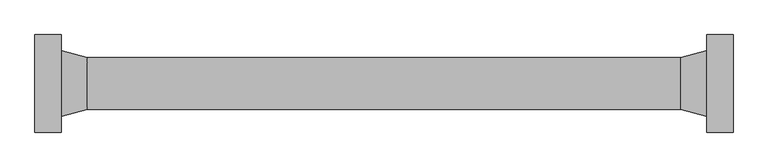
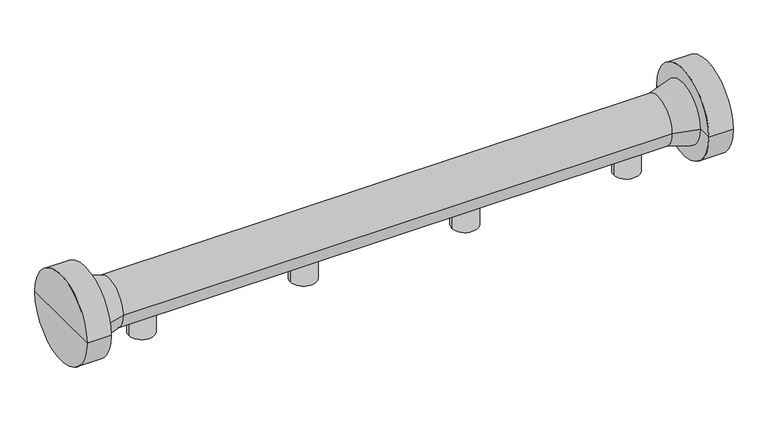
"""IFC4 building model written with IfcOpenShell, lengths in millimetres: proxy geometry."""

from ifc_helpers import new_model, si_unit, frame, origin, place, context, project, spatial, polyline, circle_curve, source, transform, mapped, element, save
from ifc_brep_helpers import plane_surface, cylinder_surface, revolved_surface, advanced_brep


def specialty_equipment_a945fca0(model_context):
    return source(origin(), model_context, "Body", "AdvancedBrep", [
        advanced_brep(
        [(1040.0, 0.0, 0.046762), (960.0, 0.0, 0.046762), (960.0, 0.0, 85.241935), (1040.0, 0.0, 85.241935), (1000.0, 0.0, 0.046762), (1000.0, 0.0, 85.241935)],
        [
            (0, 1, circle_curve(frame((1000.0, 0.0, 0.046762), z_axis=(0.0, 0.0, 1.0), x_axis=(-1.0, 0.0, 0.0)), 40.0)),
            (1, 2),
            (2, 3, circle_curve(frame((1000.0, 0.0, 85.241935), z_axis=(0.0, 0.0, -1.0), x_axis=(-1.0, 0.0, 0.0)), 40.0)),
            (3, 0),
            (1, 0, circle_curve(frame((1000.0, 0.0, 0.046762), z_axis=(0.0, 0.0, 1.0), x_axis=(-1.0, 0.0, 0.0)), 40.0)),
            (3, 2, circle_curve(frame((1000.0, 0.0, 85.241935), z_axis=(0.0, 0.0, -1.0), x_axis=(-1.0, 0.0, 0.0)), 40.0)),
            (4, 1),
            (0, 4),
            (2, 5),
            (5, 3),
        ],
        [
            cylinder_surface(frame((1000.0, 0.0, 1119.5366778), z_axis=(0.0, 0.0, -1.0), x_axis=(-1.0, 0.0, 0.0)), 40.0),
            plane_surface(frame((1000.0, 0.0, 0.046762), z_axis=(0.0, 0.0, -1.0), x_axis=(-1.0, 0.0, 0.0))),
            plane_surface(frame((1000.0, 0.0, 85.241935), z_axis=(0.0, 0.0, 1.0), x_axis=(-1.0, 0.0, 0.0))),
        ],
        [
            (0, [[1, 2, 3, 4]]),
            (0, [[5, -4, 6, -2]]),
            (1, [[7, -1, 8]]),
            (1, [[-8, -5, -7]]),
            (2, [[-3, 9, 10]]),
            (2, [[-6, -10, -9]]),
        ],
    ),
        advanced_brep(
        [(540.0, 0.0, 0.046762), (460.0, 0.0, 0.046762), (460.0, 0.0, 85.241935), (540.0, 0.0, 85.241935), (500.0, 0.0, 0.046762), (500.0, 0.0, 85.241935)],
        [
            (0, 1, circle_curve(frame((500.0, 0.0, 0.046762), z_axis=(0.0, 0.0, 1.0), x_axis=(-1.0, 0.0, 0.0)), 40.0)),
            (1, 2),
            (2, 3, circle_curve(frame((500.0, 0.0, 85.241935), z_axis=(0.0, 0.0, -1.0), x_axis=(-1.0, 0.0, 0.0)), 40.0)),
            (3, 0),
            (1, 0, circle_curve(frame((500.0, 0.0, 0.046762), z_axis=(0.0, 0.0, 1.0), x_axis=(-1.0, 0.0, 0.0)), 40.0)),
            (3, 2, circle_curve(frame((500.0, 0.0, 85.241935), z_axis=(0.0, 0.0, -1.0), x_axis=(-1.0, 0.0, 0.0)), 40.0)),
            (4, 1),
            (0, 4),
            (2, 5),
            (5, 3),
        ],
        [
            cylinder_surface(frame((500.0, 0.0, 1119.5366778), z_axis=(0.0, 0.0, -1.0), x_axis=(-1.0, 0.0, 0.0)), 40.0),
            plane_surface(frame((500.0, 0.0, 0.046762), z_axis=(0.0, 0.0, -1.0), x_axis=(-1.0, 0.0, 0.0))),
            plane_surface(frame((500.0, 0.0, 85.241935), z_axis=(0.0, 0.0, 1.0), x_axis=(-1.0, 0.0, 0.0))),
        ],
        [
            (0, [[1, 2, 3, 4]]),
            (0, [[5, -4, 6, -2]]),
            (1, [[7, -1, 8]]),
            (1, [[-8, -5, -7]]),
            (2, [[-3, 9, 10]]),
            (2, [[-6, -10, -9]]),
        ],
    ),
        advanced_brep(
        [(1540.0, 0.0, 0.046762), (1460.0, 0.0, 0.046762), (1460.0, 0.0, 85.241935), (1540.0, 0.0, 85.241935), (1500.0, 0.0, 0.046762), (1500.0, 0.0, 85.241935)],
        [
            (0, 1, circle_curve(frame((1500.0, 0.0, 0.046762), z_axis=(0.0, 0.0, 1.0), x_axis=(-1.0, 0.0, 0.0)), 40.0)),
            (1, 2),
            (2, 3, circle_curve(frame((1500.0, 0.0, 85.241935), z_axis=(0.0, 0.0, -1.0), x_axis=(-1.0, 0.0, 0.0)), 40.0)),
            (3, 0),
            (1, 0, circle_curve(frame((1500.0, 0.0, 0.046762), z_axis=(0.0, 0.0, 1.0), x_axis=(-1.0, 0.0, 0.0)), 40.0)),
            (3, 2, circle_curve(frame((1500.0, 0.0, 85.241935), z_axis=(0.0, 0.0, -1.0), x_axis=(-1.0, 0.0, 0.0)), 40.0)),
            (4, 1),
            (0, 4),
            (2, 5),
            (5, 3),
        ],
        [
            cylinder_surface(frame((1500.0, 0.0, 1119.5366778), z_axis=(0.0, 0.0, -1.0), x_axis=(-1.0, 0.0, 0.0)), 40.0),
            plane_surface(frame((1500.0, 0.0, 0.046762), z_axis=(0.0, 0.0, -1.0), x_axis=(-1.0, 0.0, 0.0))),
            plane_surface(frame((1500.0, 0.0, 85.241935), z_axis=(0.0, 0.0, 1.0), x_axis=(-1.0, 0.0, 0.0))),
        ],
        [
            (0, [[1, 2, 3, 4]]),
            (0, [[5, -4, 6, -2]]),
            (1, [[7, -1, 8]]),
            (1, [[-8, -5, -7]]),
            (2, [[-3, 9, 10]]),
            (2, [[-6, -10, -9]]),
        ],
    ),
        advanced_brep(
        [(40.0, 0.0, 0.046762), (-40.0, 0.0, 0.046762), (-40.0, 0.0, 85.241935), (40.0, 0.0, 85.241935), (0.0, 0.0, 0.046762), (0.0, 0.0, 85.241935)],
        [
            (0, 1, circle_curve(frame((0.0, 0.0, 0.046762), z_axis=(0.0, 0.0, 1.0), x_axis=(-1.0, 0.0, 0.0)), 40.0)),
            (1, 2),
            (2, 3, circle_curve(frame((0.0, 0.0, 85.241935), z_axis=(0.0, 0.0, -1.0), x_axis=(-1.0, 0.0, 0.0)), 40.0)),
            (3, 0),
            (1, 0, circle_curve(frame((0.0, 0.0, 0.046762), z_axis=(0.0, 0.0, 1.0), x_axis=(-1.0, 0.0, 0.0)), 40.0)),
            (3, 2, circle_curve(frame((0.0, 0.0, 85.241935), z_axis=(0.0, 0.0, -1.0), x_axis=(-1.0, 0.0, 0.0)), 40.0)),
            (4, 1),
            (0, 4),
            (2, 5),
            (5, 3),
        ],
        [
            cylinder_surface(frame((0.0, 0.0, 1119.5366778), z_axis=(0.0, 0.0, -1.0), x_axis=(-1.0, 0.0, 0.0)), 40.0),
            plane_surface(frame((0.0, 0.0, 0.046762), z_axis=(0.0, 0.0, -1.0), x_axis=(-1.0, 0.0, 0.0))),
            plane_surface(frame((0.0, 0.0, 85.241935), z_axis=(0.0, 0.0, 1.0), x_axis=(-1.0, 0.0, 0.0))),
        ],
        [
            (0, [[1, 2, 3, 4]]),
            (0, [[5, -4, 6, -2]]),
            (1, [[7, -1, 8]]),
            (1, [[-8, -5, -7]]),
            (2, [[-3, 9, 10]]),
            (2, [[-6, -10, -9]]),
        ],
    ),
        advanced_brep(
        [(-249.0, 0.0, 131.9), (-249.0, 139.6593353, 131.9), (-249.0, -139.6593353, 131.9), (1749.0, -139.6593353, 131.9), (1749.0, 139.6593353, 131.9), (1749.0, 0.0, 131.9), (1674.0, -139.6593353, 131.9), (1674.0, 139.6593353, 131.9), (1674.0, -95.0, 131.9), (1674.0, 95.0, 131.9), (1598.8943825, -74.9718353, 131.9), (1598.8943825, 74.9718353, 131.9), (-98.8943825, -74.9718353, 131.9), (-98.8943825, 74.9718353, 131.9), (-174.0, -95.0, 131.9), (-174.0, 95.0, 131.9), (-174.0, -139.6593353, 131.9), (-174.0, 139.6593353, 131.9)],
        [
            (0, 1),
            (1, 2, circle_curve(frame((-249.0, 0.0, 131.9), z_axis=(-1.0, 0.0, 0.0), x_axis=(0.0, 1.0, 0.0)), 139.6593353)),
            (2, 0),
            (2, 1, circle_curve(frame((-249.0, 0.0, 131.9), z_axis=(-1.0, 0.0, 0.0), x_axis=(0.0, 1.0, 0.0)), 139.6593353)),
            (3, 4, circle_curve(frame((1749.0, 0.0, 131.9), z_axis=(1.0, 0.0, 0.0), x_axis=(0.0, 1.0, 0.0)), 139.6593353)),
            (4, 5),
            (5, 3),
            (4, 3, circle_curve(frame((1749.0, 0.0, 131.9), z_axis=(1.0, 0.0, 0.0), x_axis=(0.0, 1.0, 0.0)), 139.6593353)),
            (6, 7, circle_curve(frame((1674.0, 0.0, 131.9), z_axis=(1.0, 0.0, 0.0), x_axis=(0.0, 1.0, 0.0)), 139.6593353)),
            (7, 4),
            (3, 6),
            (7, 6, circle_curve(frame((1674.0, 0.0, 131.9), z_axis=(1.0, 0.0, 0.0), x_axis=(0.0, 1.0, 0.0)), 139.6593353)),
            (8, 9, circle_curve(frame((1674.0, 0.0, 131.9), z_axis=(1.0, 0.0, 0.0), x_axis=(0.0, 1.0, 0.0)), 95.0)),
            (9, 7),
            (6, 8),
            (9, 8, circle_curve(frame((1674.0, 0.0, 131.9), z_axis=(1.0, 0.0, 0.0), x_axis=(0.0, 1.0, 0.0)), 95.0)),
            (10, 11, circle_curve(frame((1598.8943825, 0.0, 131.9), z_axis=(1.0, 0.0, 0.0), x_axis=(0.0, 1.0, 0.0)), 74.9718353)),
            (11, 9),
            (8, 10),
            (11, 10, circle_curve(frame((1598.8943825, 0.0, 131.9), z_axis=(1.0, 0.0, 0.0), x_axis=(0.0, 1.0, 0.0)), 74.9718353)),
            (12, 13, circle_curve(frame((-98.8943825, 0.0, 131.9), z_axis=(1.0, 0.0, 0.0), x_axis=(0.0, 1.0, 0.0)), 74.9718353)),
            (13, 11),
            (10, 12),
            (13, 12, circle_curve(frame((-98.8943825, 0.0, 131.9), z_axis=(1.0, 0.0, 0.0), x_axis=(0.0, 1.0, 0.0)), 74.9718353)),
            (14, 15, circle_curve(frame((-174.0, 0.0, 131.9), z_axis=(1.0, 0.0, 0.0), x_axis=(0.0, 1.0, 0.0)), 95.0)),
            (15, 13),
            (12, 14),
            (15, 14, circle_curve(frame((-174.0, 0.0, 131.9), z_axis=(1.0, 0.0, 0.0), x_axis=(0.0, 1.0, 0.0)), 95.0)),
            (16, 17, circle_curve(frame((-174.0, 0.0, 131.9), z_axis=(1.0, 0.0, 0.0), x_axis=(0.0, 1.0, 0.0)), 139.6593353)),
            (17, 15),
            (14, 16),
            (17, 16, circle_curve(frame((-174.0, 0.0, 131.9), z_axis=(1.0, 0.0, 0.0), x_axis=(0.0, 1.0, 0.0)), 139.6593353)),
            (1, 17),
            (16, 2),
        ],
        [
            plane_surface(frame((-249.0, 0.0, 131.9), z_axis=(-1.0, 0.0, 0.0), x_axis=(0.0, 1.0, 0.0))),
            plane_surface(frame((1749.0, 0.0, 131.9), z_axis=(1.0, 0.0, 0.0), x_axis=(0.0, 1.0, 0.0))),
            cylinder_surface(frame((2774.0, 0.0, 131.9), z_axis=(-1.0, 0.0, 0.0), x_axis=(0.0, 1.0, 0.0)), 139.6593353),
            plane_surface(frame((1674.0, 0.0, 131.9), z_axis=(-1.0, 0.0, 0.0), x_axis=(0.0, 1.0, 0.0))),
            revolved_surface(polyline([(1674.0, 95.0, 131.9), (1598.8943825, 74.9718353, 131.9)]), (2774.0, 0.0, 131.9), (-1.0, 0.0, 0.0)),
            cylinder_surface(frame((2774.0, 0.0, 131.9), z_axis=(-1.0, 0.0, 0.0), x_axis=(0.0, 1.0, 0.0)), 74.9718353),
            revolved_surface(polyline([(-98.8943825, 74.9718353, 131.9), (-174.0, 95.0, 131.9)]), (2774.0, 0.0, 131.9), (-1.0, 0.0, 0.0)),
            plane_surface(frame((-174.0, 0.0, 131.9), z_axis=(1.0, 0.0, 0.0), x_axis=(0.0, 1.0, 0.0))),
        ],
        [
            (0, [[1, 2, 3]]),
            (0, [[-3, 4, -1]]),
            (1, [[5, 6, 7]]),
            (1, [[8, -7, -6]]),
            (2, [[9, 10, -5, 11]]),
            (2, [[12, -11, -8, -10]]),
            (3, [[13, 14, -9, 15]]),
            (3, [[16, -15, -12, -14]]),
            (4, [[17, 18, -13, 19]]),
            (4, [[20, -19, -16, -18]]),
            (5, [[21, 22, -17, 23]]),
            (5, [[24, -23, -20, -22]]),
            (6, [[25, 26, -21, 27]]),
            (6, [[28, -27, -24, -26]]),
            (7, [[29, 30, -25, 31]]),
            (7, [[32, -31, -28, -30]]),
            (2, [[-2, 33, -29, 34]]),
            (2, [[-4, -34, -32, -33]]),
        ],
    ),
    ])


if __name__ == "__main__":
    model = new_model("IFC4")
    model_context = context("Model", 3, world=origin())
    ifc_project = project(units=[si_unit("LENGTHUNIT", "METRE", prefix="MILLI")], contexts=[model_context])
    site = spatial("IfcSite", under=ifc_project)
    building = spatial("IfcBuilding", under=site)
    placement = place(None, origin())
    specialty_equipment_shape = specialty_equipment_a945fca0(model_context)
    element("IfcBuildingElementProxy", 1, Name="Specialty Equipment", at=placement, inside=building, context=model_context, shape_type="MappedRepresentation", body=[
        mapped(specialty_equipment_shape, transform((0.0, 0.0, 0.0), x_axis=(1.0, 0.0, 0.0), y_axis=(0.0, 1.0, 0.0), z_axis=(0.0, 0.0, 1.0))),
    ])
    save(model, "model.ifc")
